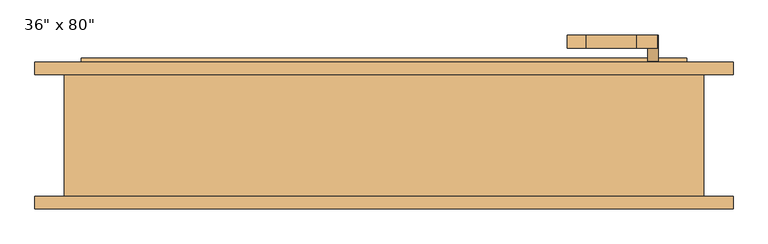
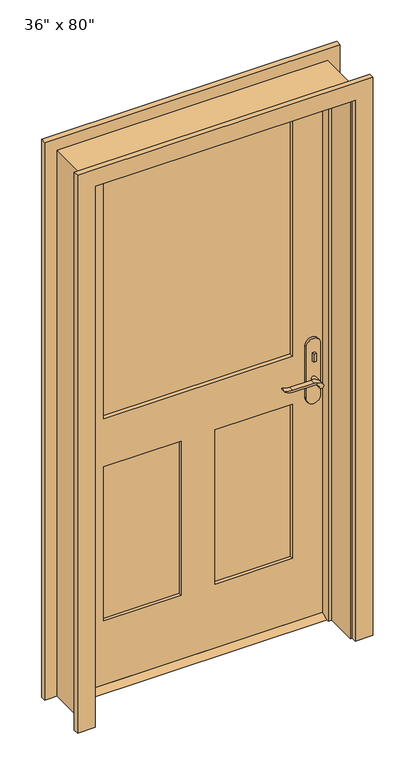
"""IFC4 building model written with IfcOpenShell, lengths in millimetres: door geometry."""

from ifc_helpers import new_model, si_unit, point, frame, frame_2d, origin, place, context, project, spatial, polyline, circle_curve, trimmed, segment, composite_curve, outline, extrude, faceted_brep, source, transform, mapped, element, save


def door_9906f3b7(model_context):
    return source(origin(), model_context, "Body", "SolidModel", [
        extrude(outline(polyline([(53.975, 12.7), (88.9, 12.7), (114.3, 0.0), (28.575, 0.0), (53.975, 12.7)])), frame((-457.2, 0.0, 0.0), z_axis=(1.0, 0.0, 0.0), x_axis=(0.0, 1.0, 0.0)), (0.0, 0.0, 1.0), 914.4),
        extrude(outline(polyline([(411.4, 33.975), (401.4, 33.975), (401.4, 43.975), (411.4, 43.975), (411.4, 33.975)])), frame((0.0, 0.0, 981.9), z_axis=(0.0, 0.0, 1.0), x_axis=(1.0, 0.0, 0.0)), (0.0, 0.0, 1.0), 30.0),
        extrude(outline(composite_curve([segment(trimmed(circle_curve(frame_2d((996.9, 406.4)), 8.0), [point((996.9, 398.4))], [point((996.9, 414.4))], False, "CARTESIAN"), True, "CONTINUOUS"), segment(trimmed(circle_curve(frame_2d((996.9, 406.4)), 8.0), [point((996.9, 414.4))], [point((996.9, 398.4))], False, "CARTESIAN"), True, "CONTINUOUS")], self_intersect=False)), frame((0.0, 98.9, 0.0), z_axis=(0.0, 1.0, 0.0), x_axis=(0.0, 0.0, 1.0)), (0.0, 0.0, 1.0), 10.0),
        extrude(outline(composite_curve([segment(trimmed(circle_curve(frame_2d((897.1555521, 382.7324871)), 37.2832219), [point((919.0523287, 412.9081363))], [point((934.4, 381.0325667))], False, "CARTESIAN"), True, "CONTINUOUS"), segment(polyline([(934.4, 381.0325667), (934.4, 304.7564091)]), True, "CONTINUOUS"), segment(trimmed(circle_curve(frame_2d((1017.6850638, 304.8227909)), 83.2850902), [point((934.4, 304.7564091))], [point((939.4, 276.4))], True, "CARTESIAN"), True, "CONTINUOUS"), segment(polyline([(939.4, 276.4), (936.6135558, 276.4)]), True, "CONTINUOUS"), segment(trimmed(circle_curve(frame_2d((986.6709207, 308.3396612)), 59.3791355), [point((936.6135558, 276.4))], [point((927.4, 304.7564091))], False, "CARTESIAN"), True, "CONTINUOUS"), segment(polyline([(927.4, 304.7564091), (927.4, 381.0138099)]), True, "CONTINUOUS"), segment(trimmed(circle_curve(frame_2d((909.2738613, 381.0138099)), 18.1261387), [point((927.4, 381.0138099))], [point((914.4, 398.4))], True, "CARTESIAN"), True, "CONTINUOUS"), segment(trimmed(circle_curve(frame_2d((914.4, 406.4)), 8.0), [point((914.4, 398.4))], [point((919.0523287, 412.9081363))], False, "CARTESIAN"), True, "CONTINUOUS")], self_intersect=False)), frame((0.0, -6.025, 0.0), z_axis=(0.0, 1.0, 0.0), x_axis=(0.0, 0.0, 1.0)), (0.0, 0.0, 1.0), 20.0),
        extrude(outline(composite_curve([segment(trimmed(circle_curve(frame_2d((914.4, 406.4)), 8.0), [point((914.3999903, 398.4))], [point((919.0523287, 412.9081363))], False, "CARTESIAN"), True, "CONTINUOUS"), segment(trimmed(circle_curve(frame_2d((897.1555521, 382.7324871)), 37.2832219), [point((919.0523287, 412.9081363))], [point((934.4, 381.0325667))], False, "CARTESIAN"), True, "CONTINUOUS"), segment(polyline([(934.4, 381.0325667), (934.4, 304.7564091)]), True, "CONTINUOUS"), segment(trimmed(circle_curve(frame_2d((1017.6850638, 304.8227909)), 83.2850902), [point((934.4, 304.7564091))], [point((939.4, 276.4))], True, "CARTESIAN"), True, "CONTINUOUS"), segment(polyline([(939.4, 276.4), (936.6135558, 276.4)]), True, "CONTINUOUS"), segment(trimmed(circle_curve(frame_2d((986.6709207, 308.3396612)), 59.3791355), [point((936.6135558, 276.4))], [point((927.4, 304.7564091))], False, "CARTESIAN"), True, "CONTINUOUS"), segment(polyline([(927.4, 304.7564091), (927.4, 381.0138122)]), True, "CONTINUOUS"), segment(trimmed(circle_curve(frame_2d((909.2738682, 381.0138122)), 18.1261318), [point((927.4, 381.0138122))], [point((914.3999903, 398.4))], True, "CARTESIAN"), True, "CONTINUOUS")], self_intersect=False)), frame((0.0, 128.9, 0.0), z_axis=(0.0, 1.0, 0.0), x_axis=(0.0, 0.0, 1.0)), (0.0, 0.0, 1.0), 20.0),
        extrude(outline(composite_curve([segment(trimmed(circle_curve(frame_2d((914.4, 406.4)), 8.0), [point((914.4, 398.4))], [point((914.4, 414.4))], False, "CARTESIAN"), True, "CONTINUOUS"), segment(trimmed(circle_curve(frame_2d((914.4, 406.4)), 8.0), [point((914.4, 414.4))], [point((914.4, 398.4))], False, "CARTESIAN"), True, "CONTINUOUS")], self_intersect=False)), frame((0.0, 13.975, 0.0), z_axis=(0.0, 1.0, 0.0), x_axis=(0.0, 0.0, 1.0)), (0.0, 0.0, 1.0), 30.0),
        extrude(outline(composite_curve([segment(trimmed(circle_curve(frame_2d((914.4, 406.4)), 8.0), [point((914.4, 398.4))], [point((914.4, 414.4))], False, "CARTESIAN"), True, "CONTINUOUS"), segment(trimmed(circle_curve(frame_2d((914.4, 406.4)), 8.0), [point((914.4, 414.4))], [point((914.4, 398.4))], False, "CARTESIAN"), True, "CONTINUOUS")], self_intersect=False)), frame((0.0, 98.9, 0.0), z_axis=(0.0, 1.0, 0.0), x_axis=(0.0, 0.0, 1.0)), (0.0, 0.0, 1.0), 30.0),
        extrude(outline(composite_curve([segment(polyline([(844.4, 431.4), (1039.4, 431.4)]), True, "CONTINUOUS"), segment(trimmed(circle_curve(frame_2d((1039.4, 406.4)), 25.0), [point((1039.4, 431.4))], [point((1039.4, 381.4))], False, "CARTESIAN"), True, "CONTINUOUS"), segment(polyline([(1039.4, 381.4), (844.4, 381.4)]), True, "CONTINUOUS"), segment(trimmed(circle_curve(frame_2d((844.4, 406.4)), 25.0), [point((844.4, 381.4))], [point((844.4, 431.4))], False, "CARTESIAN"), True, "CONTINUOUS")], self_intersect=False)), frame((0.0, 43.975, 0.0), z_axis=(0.0, 1.0, 0.0), x_axis=(0.0, 0.0, 1.0)), (0.0, 0.0, 1.0), 10.0),
        extrude(outline(composite_curve([segment(polyline([(844.4, 431.4), (1039.4, 431.4)]), True, "CONTINUOUS"), segment(trimmed(circle_curve(frame_2d((1039.4, 406.4)), 25.0), [point((1039.4, 431.4))], [point((1039.4, 381.4))], False, "CARTESIAN"), True, "CONTINUOUS"), segment(polyline([(1039.4, 381.4), (844.4, 381.4)]), True, "CONTINUOUS"), segment(trimmed(circle_curve(frame_2d((844.4, 406.4)), 25.0), [point((844.4, 381.4))], [point((844.4, 431.4))], False, "CARTESIAN"), True, "CONTINUOUS")], self_intersect=False)), frame((0.0, 88.9, 0.0), z_axis=(0.0, 1.0, 0.0), x_axis=(0.0, 0.0, 1.0)), (0.0, 0.0, 1.0), 10.0),
        extrude(outline(polyline([(2032.0, -457.2), (12.7, -457.2), (12.7, 457.2), (2032.0, 457.2), (2032.0, -457.2)]), holes=[polyline([(1016.0, -336.55), (1911.35, -336.55), (1911.35, 336.55), (1016.0, 336.55), (1016.0, -336.55)]), polyline([(835.025, -60.325), (254.0, -60.325), (254.0, -336.55), (835.025, -336.55), (835.025, -60.325)]), polyline([(835.025, 336.55), (254.0, 336.55), (254.0, 60.325), (835.025, 60.325), (835.025, 336.55)])]), frame((0.0, 53.975, 0.0), z_axis=(0.0, 1.0, 0.0), x_axis=(0.0, 0.0, 1.0)), (0.0, 0.0, 1.0), 34.925),
        faceted_brep([(482.6, 88.9, 0.0), (482.6, -95.25, 0.0), (457.2, -95.25, 0.0), (457.2, 19.05, 0.0), (444.5, 19.05, 0.0), (444.5, 53.975, 0.0), (457.2, 53.975, 0.0), (457.2, 88.9, 0.0), (482.6, 88.9, 2057.4), (482.6, -95.25, 2057.4), (-482.6, -95.25, 2057.4), (-482.6, -95.25, 0.0), (-457.2, -95.25, 0.0), (-457.2, -95.25, 2032.0), (457.2, -95.25, 2032.0), (457.2, 19.05, 2032.0), (-457.2, 19.05, 2032.0), (-457.2, 19.05, 0.0), (-444.5, 19.05, 0.0), (-444.5, 19.05, 2019.3), (444.5, 19.05, 2019.3), (444.5, 53.975, 2019.3), (-444.5, 53.975, 2019.3), (-444.5, 53.975, 0.0), (-457.2, 53.975, 0.0), (-457.2, 53.975, 2032.0), (457.2, 53.975, 2032.0), (457.2, 88.9, 2032.0), (-457.2, 88.9, 2032.0), (-457.2, 88.9, 0.0), (-482.6, 88.9, 0.0), (-482.6, 88.9, 2057.4)], [[[0, 1, 2, 3, 4, 5, 6, 7]], [[1, 0, 8, 9]], [[2, 1, 9, 10, 11, 12, 13, 14]], [[3, 2, 14, 15]], [[4, 3, 15, 16, 17, 18, 19, 20]], [[5, 4, 20, 21]], [[6, 5, 21, 22, 23, 24, 25, 26]], [[7, 6, 26, 27]], [[0, 7, 27, 28, 29, 30, 31, 8]], [[9, 8, 31, 10]], [[15, 14, 13, 16]], [[21, 20, 19, 22]], [[27, 26, 25, 28]], [[30, 29, 24, 23, 18, 17, 12, 11]], [[10, 31, 30, 11]], [[16, 13, 12, 17]], [[22, 19, 18, 23]], [[28, 25, 24, 29]]]),
        extrude(outline(polyline([(-60.325, 65.6166667), (-336.55, 65.6166667), (-336.55, 77.2583333), (-60.325, 77.2583333), (-60.325, 65.6166667)])), frame((0.0, 0.0, 254.0), z_axis=(0.0, 0.0, 1.0), x_axis=(1.0, 0.0, 0.0)), (0.0, 0.0, 1.0), 581.025),
        extrude(outline(polyline([(336.55, 65.6166667), (60.325, 65.6166667), (60.325, 77.2583333), (336.55, 77.2583333), (336.55, 65.6166667)])), frame((0.0, 0.0, 254.0), z_axis=(0.0, 0.0, 1.0), x_axis=(1.0, 0.0, 0.0)), (0.0, 0.0, 1.0), 581.025),
        extrude(outline(polyline([(336.55, 67.945), (-336.55, 67.945), (-336.55, 74.93), (336.55, 74.93), (336.55, 67.945)])), frame((0.0, 0.0, 1016.0), z_axis=(0.0, 0.0, 1.0), x_axis=(1.0, 0.0, 0.0)), (0.0, 0.0, 1.0), 895.35),
        extrude(outline(polyline([(0.0, -527.05), (0.0, -463.55), (2038.35, -463.55), (2038.35, 463.55), (0.0, 463.55), (0.0, 527.05), (2101.85, 527.05), (2101.85, -527.05), (0.0, -527.05)])), frame((0.0, -114.3, 0.0), z_axis=(0.0, 1.0, 0.0), x_axis=(0.0, 0.0, 1.0)), (0.0, 0.0, 1.0), 19.05),
        extrude(outline(polyline([(0.0, -527.05), (0.0, -463.55), (2038.35, -463.55), (2038.35, 463.55), (0.0, 463.55), (0.0, 527.05), (2101.85, 527.05), (2101.85, -527.05), (0.0, -527.05)])), frame((0.0, 88.9, 0.0), z_axis=(0.0, 1.0, 0.0), x_axis=(0.0, 0.0, 1.0)), (0.0, 0.0, 1.0), 19.05),
    ])


if __name__ == "__main__":
    model = new_model("IFC4")
    model_context = context("Model", 3, world=origin())
    ifc_project = project(units=[si_unit("LENGTHUNIT", "METRE", prefix="MILLI")], contexts=[model_context])
    site = spatial("IfcSite", under=ifc_project)
    building = spatial("IfcBuilding", under=site)
    placement = place(None, origin())
    door_shape = door_9906f3b7(model_context)
    element("IfcDoor", 1, ObjectType="36\" x 80\"", at=placement, inside=building, context=model_context, shape_type="MappedRepresentation", body=[
        mapped(door_shape, transform((0.0, 0.0, 0.0), x_axis=(1.0, 0.0, 0.0), y_axis=(0.0, 1.0, 0.0), z_axis=(0.0, 0.0, 1.0))),
    ])
    save(model, "model.ifc")
